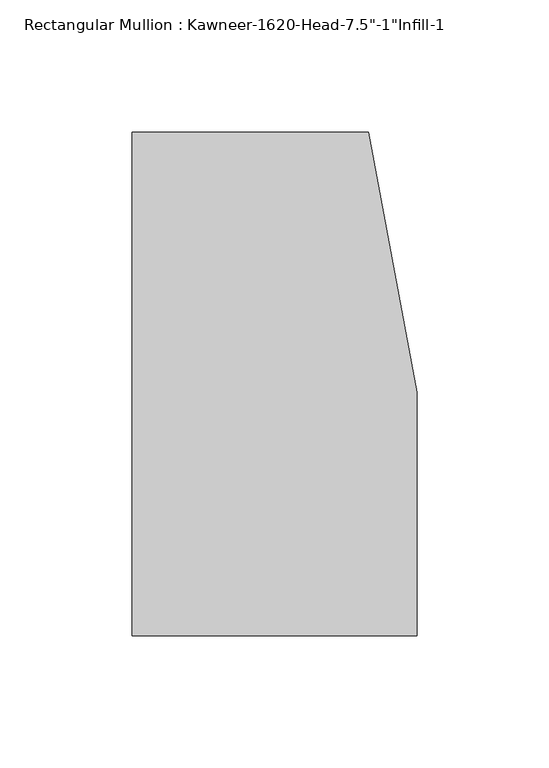
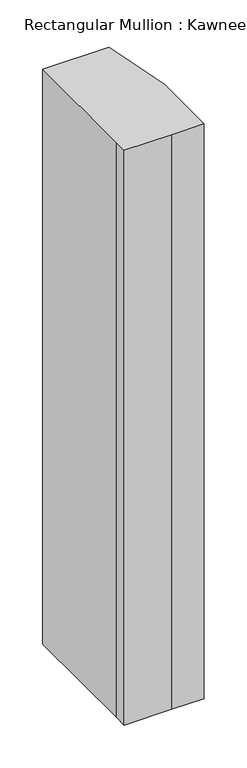
"""IFC4 building model written with IfcOpenShell, lengths in millimetres: member geometry."""

from ifc_helpers import new_model, si_unit, frame, origin, place, context, project, spatial, polyline, outline, extrude, source, transform, mapped, element, save


def member_69b97860(model_context):
    return source(origin(), model_context, "Body", "SweptSolid", [
        extrude(outline(polyline([(-107.95, -19.9095466), (-107.95, 152.4), (-18.3538271, 152.4), (0.0, 53.975), (0.0, -38.1), (-44.1519366, -38.1), (-107.95, -38.1), (-107.95, -19.9095466)])), frame((0.0, 0.0, -819.15), z_axis=(0.0, 0.0, 1.0), x_axis=(1.0, 0.0, 0.0)), (0.0, 0.0, 1.0), 819.15),
    ])


if __name__ == "__main__":
    model = new_model("IFC4")
    model_context = context("Model", 3, world=origin())
    ifc_project = project(units=[si_unit("LENGTHUNIT", "METRE", prefix="MILLI")], contexts=[model_context])
    site = spatial("IfcSite", under=ifc_project)
    building = spatial("IfcBuilding", under=site)
    placement = place(None, origin())
    member_shape = member_69b97860(model_context)
    element("IfcMember", 1, ObjectType="Rectangular Mullion : Kawneer-1620-Head-7.5\"-1\"Infill-1", at=placement, inside=building, context=model_context, shape_type="MappedRepresentation", body=[
        mapped(member_shape, transform((0.0, 0.0, 0.0), x_axis=(1.0, 0.0, 0.0), y_axis=(0.0, 1.0, 0.0), z_axis=(0.0, 0.0, 1.0))),
    ])
    save(model, "model.ifc")
